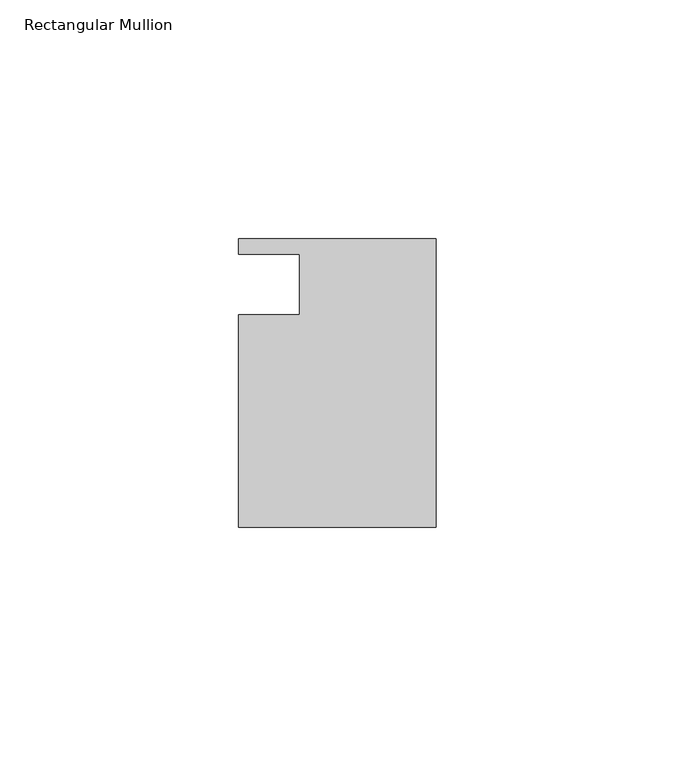
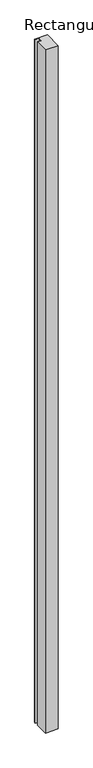
"""IFC4 building model written with IfcOpenShell, lengths in millimetres: member geometry, Rectangular Mullion."""

from ifc_helpers import new_model, si_unit, frame, origin, place, context, project, spatial, polyline, outline, extrude, source, transform, mapped, element, save


def rectangular_mullion_87f29ce4(model_context):
    return source(origin(), model_context, "Body", "SweptSolid", [
        extrude(outline(polyline([(0.0, -30.1625), (-41.275, -30.1625), (-41.275, 14.2875), (-28.575, 14.2875), (-28.575, 26.9875), (-41.275, 26.9875), (-41.275, 30.1625), (0.0, 30.1625), (0.0, -30.1625)])), frame((0.0, 0.0, -2355.85), z_axis=(0.0, 0.0, 1.0), x_axis=(1.0, 0.0, 0.0)), (0.0, 0.0, 1.0), 2355.85),
    ])


if __name__ == "__main__":
    model = new_model("IFC4")
    model_context = context("Model", 3, world=origin())
    ifc_project = project(units=[si_unit("LENGTHUNIT", "METRE", prefix="MILLI")], contexts=[model_context])
    site = spatial("IfcSite", under=ifc_project)
    building = spatial("IfcBuilding", under=site)
    placement = place(None, origin())
    rectangular_mullion_shape = rectangular_mullion_87f29ce4(model_context)
    element("IfcMember", 1, ObjectType="Rectangular Mullion", at=placement, inside=building, context=model_context, shape_type="MappedRepresentation", body=[
        mapped(rectangular_mullion_shape, transform((0.0, 0.0, 0.0), x_axis=(1.0, 0.0, 0.0), y_axis=(0.0, 1.0, 0.0), z_axis=(0.0, 0.0, 1.0))),
    ])
    save(model, "model.ifc")
